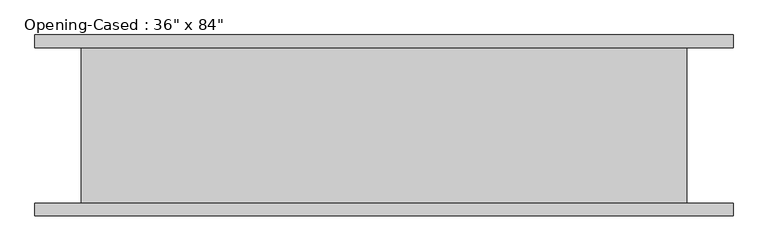
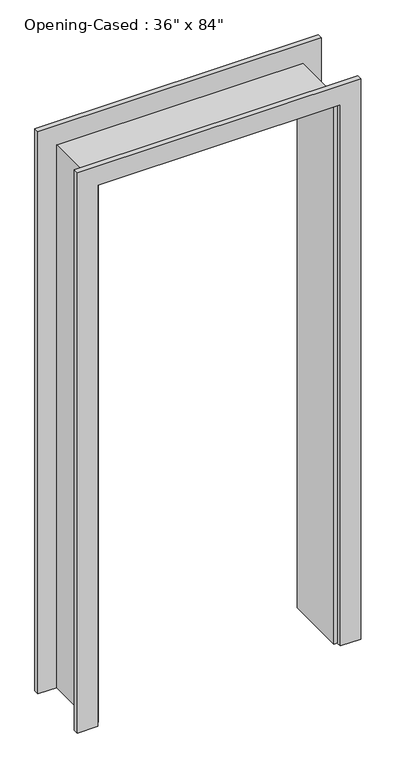
"""IFC4 building model written with IfcOpenShell, lengths in millimetres: proxy geometry."""

from ifc_helpers import new_model, si_unit, frame, origin, place, context, project, spatial, polyline, outline, extrude, faceted_brep, source, transform, mapped, element, save


def proxy_3b67629d(model_context):
    return source(origin(), model_context, "Body", "SolidModel", [
        extrude(outline(polyline([(0.0, -459.0386567), (2127.25, -459.0386567), (2127.25, 442.6613433), (0.0, 442.6613433), (0.0, 518.8613433), (2203.45, 518.8613433), (2203.45, -535.2386567), (0.0, -535.2386567), (0.0, -459.0386567)])), frame((0.0, -136.525, 0.0), z_axis=(0.0, 1.0, 0.0), x_axis=(0.0, 0.0, 1.0)), (0.0, 0.0, 1.0), 19.05),
        extrude(outline(polyline([(0.0, 518.8613433), (2209.8, 518.8613433), (2209.8, -535.2386567), (0.0, -535.2386567), (0.0, -459.0386567), (2127.25, -459.0386567), (2127.25, 442.6613433), (0.0, 442.6613433), (0.0, 518.8613433)])), frame((0.0, 117.475, 0.0), z_axis=(0.0, 1.0, 0.0), x_axis=(0.0, 0.0, 1.0)), (0.0, 0.0, 1.0), 19.05),
        faceted_brep([(429.9613433, 117.475, 0.0), (449.0113433, 117.475, 0.0), (449.0113433, -117.475, 0.0), (429.9613433, -117.475, 0.0), (429.9613433, 117.475, 2114.55), (449.0113433, 117.475, 2133.6), (449.0113433, -117.475, 2133.6), (429.9613433, -117.475, 2114.55), (-446.3386567, 117.475, 2114.55), (-465.3886567, 117.475, 2133.6), (-465.3886567, -117.475, 2133.6), (-446.3386567, -117.475, 2114.55), (-446.3386567, 117.475, 0.0), (-446.3386567, -117.475, 0.0), (-465.3886567, -117.475, 0.0), (-465.3886567, 117.475, 0.0)], [[[0, 1, 2, 3]], [[1, 0, 4, 5]], [[2, 1, 5, 6]], [[3, 2, 6, 7]], [[0, 3, 7, 4]], [[5, 4, 8, 9]], [[6, 5, 9, 10]], [[7, 6, 10, 11]], [[4, 7, 11, 8]], [[12, 13, 14, 15]], [[9, 8, 12, 15]], [[10, 9, 15, 14]], [[11, 10, 14, 13]], [[8, 11, 13, 12]]]),
    ])


if __name__ == "__main__":
    model = new_model("IFC4")
    model_context = context("Model", 3, world=origin())
    ifc_project = project(units=[si_unit("LENGTHUNIT", "METRE", prefix="MILLI")], contexts=[model_context])
    site = spatial("IfcSite", under=ifc_project)
    building = spatial("IfcBuilding", under=site)
    placement = place(None, origin())
    proxy_shape = proxy_3b67629d(model_context)
    element("IfcBuildingElementProxy", 1, Name="Opening-Cased : 36\" x 84\"", ObjectType="Opening-Cased : 36\" x 84\"", at=placement, inside=building, context=model_context, shape_type="MappedRepresentation", body=[
        mapped(proxy_shape, transform((0.0, 0.0, 0.0), x_axis=(1.0, 0.0, 0.0), y_axis=(0.0, 1.0, 0.0), z_axis=(0.0, 0.0, 1.0))),
    ])
    save(model, "model.ifc")
